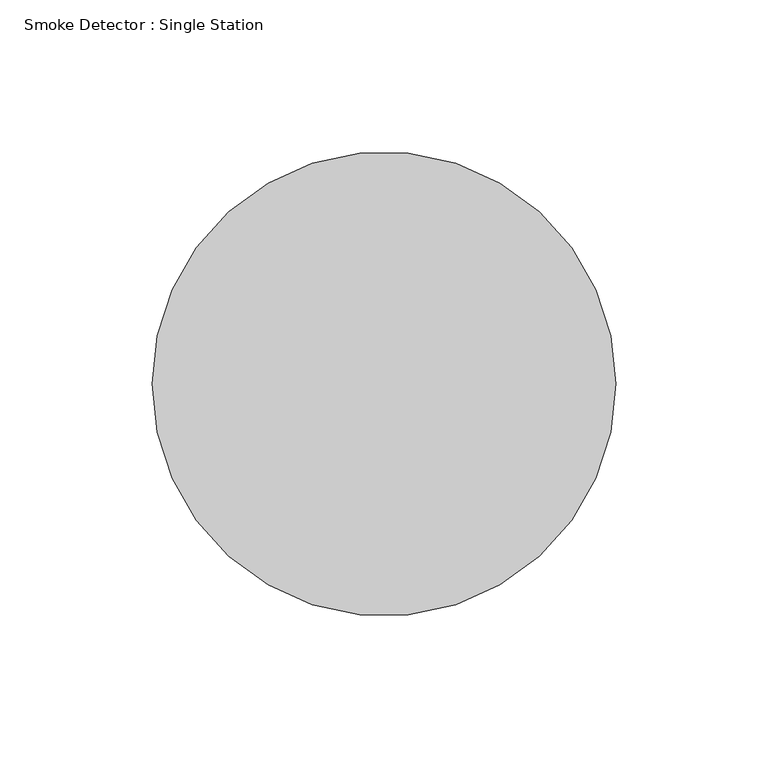
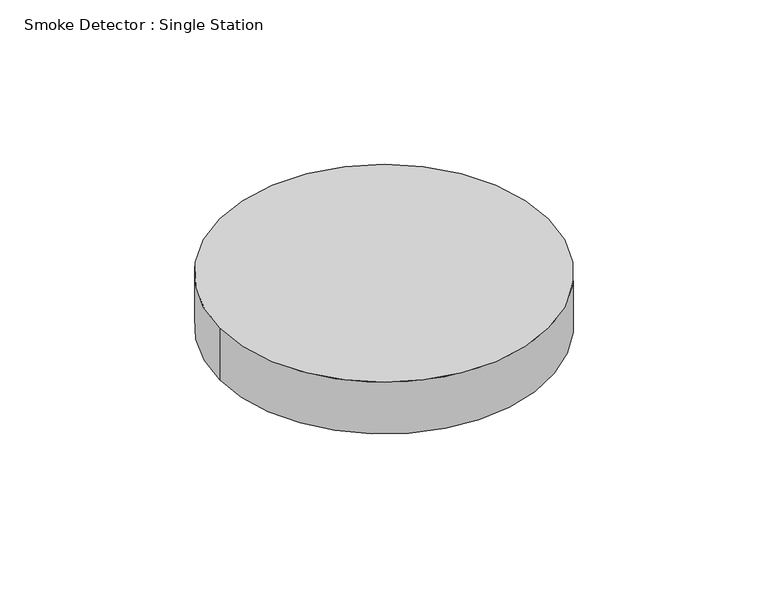
"""IFC4 building model written with IfcOpenShell, lengths in millimetres: alarm geometry, Smoke Detector : Single Station."""

import ifcopenshell
import ifcopenshell.guid

model = None  # the IFC model being written
_history = None  # IfcOwnerHistory: only IFC2X3 demands one
_inside = {}  # id of a spatial element -> (the spatial element, [elements in it])
_under = {}  # id of a project, library or spatial element -> (it, [spatial elements below it])
_declared = {}  # id of a project -> (the project, [libraries it declares])
_typed = {}  # id of a type object -> (the type object, [elements of that type])
_made_of = {}  # id of a material, layer set ... -> (it, [elements and type objects made of it])


def new_model(schema):
    """Start an empty IFC model of exactly this schema.

    Asked for "IFC4X3", IfcOpenShell would pick the latest addendum, in which some entities
    have other attributes; the version numbers below select the first issue.
    IFC2X3 requires an IfcOwnerHistory on every rooted entity: one is made here for all.
    """
    global model, _history
    if schema == "IFC4X3":
        model = ifcopenshell.file(schema_version=(4, 3, 0, 0))
    else:
        model = ifcopenshell.file(schema=schema)
    _inside.clear()
    _under.clear()
    _declared.clear()
    _typed.clear()
    _made_of.clear()
    _history = None
    if model.schema == "IFC2X3":
        org = make("IfcOrganization", Name="unknown")
        user = make(
            "IfcPersonAndOrganization",
            ThePerson=make("IfcPerson", FamilyName="unknown"),
            TheOrganization=org,
        )
        app = make(
            "IfcApplication",
            ApplicationDeveloper=org,
            Version="unknown",
            ApplicationFullName="unknown",
            ApplicationIdentifier="unknown",
        )
        _history = make(
            "IfcOwnerHistory",
            OwningUser=user,
            OwningApplication=app,
            ChangeAction="ADDED",
            CreationDate=0,
        )
    return model


def make(cls, **values):
    """One entity of the class cls with the attributes given. An attribute that is None is left unset."""
    return model.create_entity(
        cls, **{name: value for name, value in values.items() if value is not None}
    )


def rooted(cls, **values):
    """An entity with a GlobalId (a new one), such as an element, a storey or a relation."""
    return make(cls, GlobalId=ifcopenshell.guid.new(), OwnerHistory=_history, **values)


def si_unit(unit_type, name, prefix=None):
    """IfcSIUnit, for example si_unit("LENGTHUNIT", "METRE", prefix="MILLI")."""
    return make("IfcSIUnit", UnitType=unit_type, Prefix=prefix, Name=name)


def assignment(units):
    """IfcUnitAssignment: the units of a project."""
    return None if units is None else make("IfcUnitAssignment", Units=units)


def point(xyz):
    """IfcCartesianPoint."""
    return None if xyz is None else make("IfcCartesianPoint", Coordinates=xyz)


def direction(xyz):
    """IfcDirection."""
    return None if xyz is None else make("IfcDirection", DirectionRatios=xyz)


def frame(location, z_axis=None, x_axis=None):
    """IfcAxis2Placement3D, a coordinate frame: its origin and axes. An axis left out is left unset."""
    return make(
        "IfcAxis2Placement3D",
        Location=point(location),
        Axis=direction(z_axis),
        RefDirection=direction(x_axis),
    )


def frame_2d(location, x_axis=None):
    """IfcAxis2Placement2D, a coordinate frame in the plane: its origin and x axis."""
    return make(
        "IfcAxis2Placement2D", Location=point(location), RefDirection=direction(x_axis)
    )


def origin():
    """The frame at (0, 0, 0) with its axes left unset."""
    return frame((0.0, 0.0, 0.0))


def place(relative_to, where):
    """IfcLocalPlacement: puts the frame where relative to a parent placement (None: the world)."""
    return make(
        "IfcLocalPlacement", PlacementRelTo=relative_to, RelativePlacement=where
    )


def context(
    kind, dimensions, precision=None, world=None, true_north=None, identifier=None
):
    """IfcGeometricRepresentationContext, for example the 3D "Model" context."""
    return make(
        "IfcGeometricRepresentationContext",
        ContextIdentifier=identifier,
        ContextType=kind,
        CoordinateSpaceDimension=dimensions,
        Precision=precision,
        WorldCoordinateSystem=world,
        TrueNorth=true_north,
    )


def project(units=None, contexts=None):
    """IfcProject with its units and contexts."""
    return rooted(
        "IfcProject",
        Name="project",
        RepresentationContexts=contexts,
        UnitsInContext=assignment(units),
    )


def spatial(cls, under=None, at=None, **own):
    """A site, building, storey or space (cls), placed at a placement, below another one or the project."""
    s = rooted(cls, ObjectPlacement=at, **own)
    if under is not None:
        _under.setdefault(under.id(), (under, []))[1].append(s)
    return s


def circle_curve(where, radius):
    """IfcCircle in the frame where."""
    return make("IfcCircle", Position=where, Radius=radius)


def trimmed(basis, trim1, trim2, sense, master):
    """IfcTrimmedCurve: the piece of a basis curve between two trims."""
    return make(
        "IfcTrimmedCurve",
        BasisCurve=basis,
        Trim1=trim1,
        Trim2=trim2,
        SenseAgreement=sense,
        MasterRepresentation=master,
    )


def segment(curve, same_sense, transition):
    """IfcCompositeCurveSegment."""
    return make(
        "IfcCompositeCurveSegment",
        Transition=transition,
        SameSense=same_sense,
        ParentCurve=curve,
    )


def composite_curve(segments, self_intersect=None):
    """IfcCompositeCurve: segments joined end to end."""
    return make("IfcCompositeCurve", Segments=segments, SelfIntersect=self_intersect)


def outline(outer, holes=None, kind="AREA"):
    """IfcArbitraryClosedProfileDef: a profile drawn as a closed curve; with holes, ...WithVoids."""
    if holes is None:
        return make("IfcArbitraryClosedProfileDef", ProfileType=kind, OuterCurve=outer)
    return make(
        "IfcArbitraryProfileDefWithVoids",
        ProfileType=kind,
        OuterCurve=outer,
        InnerCurves=holes,
    )


def extrude(swept, where, along, depth):
    """IfcExtrudedAreaSolid: the profile swept, set in the frame where, extruded along a direction by depth."""
    return make(
        "IfcExtrudedAreaSolid",
        SweptArea=swept,
        Position=where,
        ExtrudedDirection=direction(along),
        Depth=depth,
    )


def shape(context_of_items, identifier, shape_type, items):
    """IfcShapeRepresentation: the items that make up one representation, for example the "Body"."""
    return make(
        "IfcShapeRepresentation",
        ContextOfItems=context_of_items,
        RepresentationIdentifier=identifier,
        RepresentationType=shape_type,
        Items=items,
    )


def source(mapping_origin, context_of_items, identifier, shape_type, items):
    """IfcRepresentationMap: a shape defined once, which mapped items show again and again."""
    return make(
        "IfcRepresentationMap",
        MappingOrigin=mapping_origin,
        MappedRepresentation=shape(context_of_items, identifier, shape_type, items),
    )


def transform(
    local_origin,
    x_axis=None,
    y_axis=None,
    z_axis=None,
    scale=None,
    scale2=None,
    scale3=None,
    uniform=True,
):
    """IfcCartesianTransformationOperator3D, or its non-uniform kind. x_axis, y_axis, z_axis: its Axis1, 2, 3."""
    if uniform:
        return make(
            "IfcCartesianTransformationOperator3D",
            Axis1=direction(x_axis),
            Axis2=direction(y_axis),
            LocalOrigin=point(local_origin),
            Scale=scale,
            Axis3=direction(z_axis),
        )
    return make(
        "IfcCartesianTransformationOperator3DnonUniform",
        Axis1=direction(x_axis),
        Axis2=direction(y_axis),
        LocalOrigin=point(local_origin),
        Scale=scale,
        Axis3=direction(z_axis),
        Scale2=scale2,
        Scale3=scale3,
    )


def mapped(mapping_source, mapping_target):
    """IfcMappedItem: shows the shape of a source again, moved by a transform."""
    return make(
        "IfcMappedItem", MappingSource=mapping_source, MappingTarget=mapping_target
    )


def made_of(thing, what):
    """Note that an element or type object is made of a material, layer set ...; save() writes the relation."""
    if what is not None:
        _made_of.setdefault(what.id(), (what, []))[1].append(thing)
    return thing


def element(
    cls,
    number,
    at=None,
    inside=None,
    cuts=None,
    type_object=None,
    material=None,
    context=None,
    identifier="Body",
    shape_type=None,
    held_by="IfcProductDefinitionShape",
    body=None,
    shapes=None,
    **own,
):
    """One element of the class cls, such as IfcWall. Its Tag is "e" and its number.

    at: its placement. inside: the storey or other place that contains it. cuts: it is an
    opening in that element (IfcRelVoidsElement). A single representation is given by context,
    identifier, shape_type and body (its items); several are given by shapes. held_by: the class
    of the entity that holds the representations. save() writes the other relations.
    """
    e = rooted(cls, Tag="e%d" % number, ObjectPlacement=at, **own)
    if body is not None:
        shapes = [shape(context, identifier, shape_type, body)]
    if shapes is not None:
        e.Representation = make(held_by, Representations=shapes)
    if inside is not None:
        _inside.setdefault(inside.id(), (inside, []))[1].append(e)
    if cuts is not None:
        rooted(
            "IfcRelVoidsElement", RelatingBuildingElement=cuts, RelatedOpeningElement=e
        )
    if type_object is not None:
        _typed.setdefault(type_object.id(), (type_object, []))[1].append(e)
    return made_of(e, material)


def aggregate(whole, parts):
    """IfcRelAggregates: a whole, such as a stair, and the parts it consists of."""
    return rooted("IfcRelAggregates", RelatingObject=whole, RelatedObjects=parts)


def save(model, path):
    """Write the relations noted so far, then the file.

    IfcRelAggregates (storeys below a building ...), IfcRelContainedInSpatialStructure (elements
    in a storey), IfcRelDefinesByType, IfcRelAssociatesMaterial and IfcRelDeclares: one each for
    every whole, place, type object, material and project.
    """
    for whole, parts in _under.values():
        aggregate(whole, parts)
    for where, things in _inside.values():
        rooted(
            "IfcRelContainedInSpatialStructure",
            RelatedElements=things,
            RelatingStructure=where,
        )
    for kind, things in _typed.values():
        rooted("IfcRelDefinesByType", RelatedObjects=things, RelatingType=kind)
    for what, things in _made_of.values():
        rooted("IfcRelAssociatesMaterial", RelatedObjects=things, RelatingMaterial=what)
    for by, libraries in _declared.values():
        rooted("IfcRelDeclares", RelatingContext=by, RelatedDefinitions=libraries)
    model.write(path)


def smoke_detector_single_station_3187a4c3(model_context):
    return source(origin(), model_context, "Body", "SweptSolid", [
        extrude(outline(composite_curve([segment(trimmed(circle_curve(frame_2d((-34.4117675, -10.7254698)), 76.2), [point((41.7882325, -10.7254698))], [point((-110.6117675, -10.7254698))], False, "CARTESIAN"), True, "CONTINUOUS"), segment(trimmed(circle_curve(frame_2d((-34.4117675, -10.7254698)), 76.2), [point((-110.6117675, -10.7254698))], [point((41.7882325, -10.7254698))], False, "CARTESIAN"), True, "CONTINUOUS")], self_intersect=False)), frame((0.0, 0.0, 2565.4), z_axis=(0.0, 0.0, 1.0), x_axis=(1.0, 0.0, 0.0)), (0.0, 0.0, 1.0), 25.4),
    ])


if __name__ == "__main__":
    model = new_model("IFC4")
    model_context = context("Model", 3, world=origin())
    ifc_project = project(units=[si_unit("LENGTHUNIT", "METRE", prefix="MILLI")], contexts=[model_context])
    site = spatial("IfcSite", under=ifc_project)
    building = spatial("IfcBuilding", under=site)
    placement = place(None, origin())
    smoke_detector_single_station_shape = smoke_detector_single_station_3187a4c3(model_context)
    element("IfcAlarm", 1, ObjectType="Smoke Detector : Single Station", at=placement, inside=building, context=model_context, shape_type="MappedRepresentation", body=[
        mapped(smoke_detector_single_station_shape, transform((0.0, 0.0, 0.0), x_axis=(1.0, 0.0, 0.0), y_axis=(0.0, 1.0, 0.0), z_axis=(0.0, 0.0, 1.0))),
    ])
    save(model, "model.ifc")
